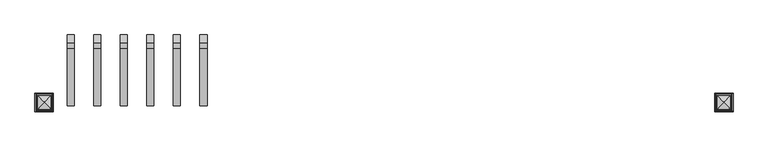
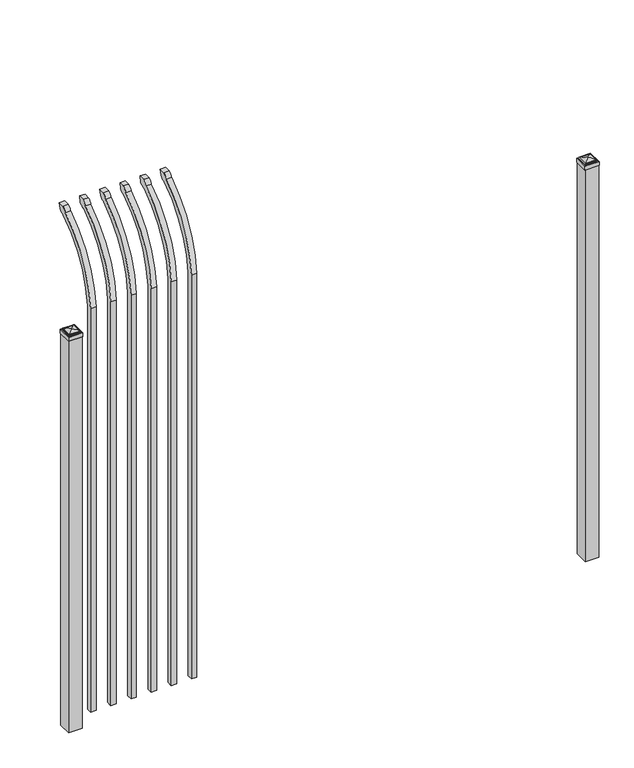
"""IFC4 building model written with IfcOpenShell, lengths in millimetres: railing geometry."""

from ifc_helpers import new_model, si_unit, point, frame, origin, origin_with_axes, place, context, project, spatial, polyline, circle_curve, ellipse_curve, trimmed, outline, extrude, source, transform, mapped, element, save
from ifc_brep_helpers import plane_surface, cylinder_surface, revolved_surface, extruded_surface, advanced_brep


def railing_022434f4(model_context):
    return source(origin(), model_context, "Body", "SolidModel", [
        advanced_brep(
        [(20603.9350064, 11905.619541, 50.8), (20603.9350064, 11905.619541, 2063.9226889), (20603.9350064, 12102.7326851, 2396.1022378), (20603.9350064, 12129.2407099, 2410.7867549), (20603.9350064, 12135.1100864, 2438.4), (20603.9350064, 12106.8799449, 2438.4), (20603.9350064, 12087.4931591, 2417.4682561), (20603.9350064, 11880.219541, 2063.9226889), (20603.9350064, 11880.219541, 50.8), (20578.5350064, 11905.619541, 50.8), (20578.5350064, 11905.619541, 2063.9226889), (20578.5350064, 11880.219541, 2063.9226889), (20578.5350064, 11880.219541, 50.8), (20578.5350064, 12087.4931591, 2417.4682561), (20578.5350064, 12106.8799449, 2438.4), (20578.5350064, 12135.1100864, 2438.4), (20578.5350064, 12129.2407099, 2410.7867549), (20578.5350064, 12102.7326851, 2396.1022378)],
        [
            (0, 1),
            (1, 2, circle_curve(frame((20603.9350064, 12342.9874207, 2028.9640776), z_axis=(-1.0, 0.0, 0.0), x_axis=(0.0, 1.0, 0.0)), 438.7627681)),
            (2, 3, ellipse_curve(frame((20603.9350064, 12110.5579376, 2418.5180619), z_axis=(1.0, 0.0, 0.0), x_axis=(0.0, -0.7771459614569752, -0.6293203910498321)), 26.7460194, 19.05)),
            (3, 4),
            (4, 5),
            (5, 6, ellipse_curve(frame((20603.9350064, 12110.5579376, 2418.5180619), z_axis=(1.0, 0.0, 0.0), x_axis=(0.0, -0.7771459614569761, -0.6293203910498311)), 26.7460194, 19.05)),
            (6, 7, circle_curve(frame((20603.9350064, 12342.0333244, 2030.7065933), z_axis=(1.0, 0.0, 0.0), x_axis=(0.0, 1.0, 0.0)), 463.0067812)),
            (7, 8),
            (8, 0),
            (0, 9),
            (9, 10),
            (10, 1),
            (7, 11),
            (11, 12),
            (12, 8),
            (12, 9),
            (11, 13, circle_curve(frame((20578.5350064, 12342.0333244, 2030.7065933), z_axis=(-1.0, 0.0, 0.0), x_axis=(0.0, 1.0, 0.0)), 463.0067812)),
            (13, 14, ellipse_curve(frame((20578.5350064, 12110.5579376, 2418.5180619), z_axis=(-1.0, 0.0, 0.0), x_axis=(0.0, -0.7771459614569761, -0.6293203910498311)), 26.7460194, 19.05)),
            (14, 15),
            (15, 16),
            (16, 17, ellipse_curve(frame((20578.5350064, 12110.5579376, 2418.5180619), z_axis=(-1.0, 0.0, 0.0), x_axis=(0.0, -0.7771459614569752, -0.6293203910498321)), 26.7460194, 19.05)),
            (17, 10, circle_curve(frame((20578.5350064, 12342.9874207, 2028.9640776), z_axis=(1.0, 0.0, 0.0), x_axis=(0.0, 1.0, 0.0)), 438.7627681)),
            (17, 2),
            (16, 3),
            (15, 4),
            (14, 5),
            (13, 6),
        ],
        [
            plane_surface(frame((20603.9350064, 11905.619541, 50.8), z_axis=(1.0, 0.0, 0.0), x_axis=(0.0, 0.0, 1.0))),
            plane_surface(frame((20603.9350064, 11905.619541, 50.8), z_axis=(0.0, 1.0, 0.0), x_axis=(-1.0, 0.0, 0.0))),
            plane_surface(frame((20603.9350064, 11880.219541, 2063.9226889), z_axis=(0.0, -1.0, 0.0), x_axis=(-1.0, 0.0, 0.0))),
            plane_surface(frame((20603.9350064, 11880.219541, 50.8), z_axis=(0.0, 0.0, -1.0), x_axis=(-1.0, 0.0, 0.0))),
            plane_surface(frame((20578.5350064, 11905.619541, 50.8), z_axis=(-1.0, 0.0, 0.0), x_axis=(0.0, 0.0, -1.0))),
            revolved_surface(polyline([(20578.5350064, 12781.750188799999, 2028.9640776), (20603.9350064, 12781.750188799999, 2028.9640776)]), (20578.5350064, 12342.9874207, 2028.9640776), (-1.0, 0.0, 0.0)),
            extruded_surface(trimmed(ellipse_curve(frame((20553.1350064, 12110.5579376, 2418.5180619), z_axis=(1.0, 0.0, 0.0), x_axis=(0.0, -0.7771459614569752, -0.6293203910498321)), 26.7460194, 19.05), [point((20553.1350064, 12102.7326851, 2396.1022378))], [point((20553.1350064, 12129.2407099, 2410.7867549))], True, "CARTESIAN"), (25.400000000001455, 0.0, 0.0), 25.400000000001455),
            plane_surface(frame((20603.9350064, 12129.2407099, 2410.7867549), z_axis=(0.0, 0.9781476007338008, -0.20791169081778224), x_axis=(-1.0, 0.0, 0.0))),
            plane_surface(frame((20603.9350064, 12135.1100864, 2438.4), z_axis=(0.0, 0.0, 1.0), x_axis=(-1.0, 0.0, 0.0))),
            extruded_surface(trimmed(ellipse_curve(frame((20553.1350064, 12110.5579376, 2418.5180619), z_axis=(1.0, 0.0, 0.0), x_axis=(0.0, -0.7771459614569761, -0.6293203910498311)), 26.7460194, 19.05), [point((20553.1350064, 12106.8799449, 2438.4))], [point((20553.1350064, 12087.4931591, 2417.4682561))], True, "CARTESIAN"), (25.400000000001455, 0.0, 0.0), 25.400000000001455),
            cylinder_surface(frame((20578.5350064, 12342.0333244, 2030.7065933), z_axis=(1.0, 0.0, 0.0), x_axis=(0.0, 1.0, 0.0)), 463.0067812),
        ],
        [
            (0, [[1, 2, 3, 4, 5, 6, 7, 8, 9]]),
            (1, [[-1, 10, 11, 12]]),
            (2, [[-8, 13, 14, 15]]),
            (3, [[-9, -15, 16, -10]]),
            (4, [[-16, -14, 17, 18, 19, 20, 21, 22, -11]]),
            (5, [[-2, -12, -22, 23]]),
            (6, [[-3, -23, -21, 24]]),
            (7, [[-4, -24, -20, 25]]),
            (8, [[-5, -25, -19, 26]]),
            (9, [[-6, -26, -18, 27]]),
            (10, [[-7, -27, -17, -13]]),
        ],
    ),
        advanced_brep(
        [(20508.6850064, 11905.619541, 50.8), (20508.6850064, 11905.619541, 2063.9226889), (20508.6850064, 12102.7326851, 2396.1022378), (20508.6850064, 12129.2407099, 2410.7867549), (20508.6850064, 12135.1100864, 2438.4), (20508.6850064, 12106.8799449, 2438.4), (20508.6850064, 12087.4931591, 2417.4682561), (20508.6850064, 11880.219541, 2063.9226889), (20508.6850064, 11880.219541, 50.8), (20483.2850064, 11905.619541, 50.8), (20483.2850064, 11905.619541, 2063.9226889), (20483.2850064, 11880.219541, 2063.9226889), (20483.2850064, 11880.219541, 50.8), (20483.2850064, 12087.4931591, 2417.4682561), (20483.2850064, 12106.8799449, 2438.4), (20483.2850064, 12135.1100864, 2438.4), (20483.2850064, 12129.2407099, 2410.7867549), (20483.2850064, 12102.7326851, 2396.1022378)],
        [
            (0, 1),
            (1, 2, circle_curve(frame((20508.6850064, 12342.9874207, 2028.9640776), z_axis=(-1.0, 0.0, 0.0), x_axis=(0.0, 1.0, 0.0)), 438.7627681)),
            (2, 3, ellipse_curve(frame((20508.6850064, 12110.5579376, 2418.5180619), z_axis=(1.0, 0.0, 0.0), x_axis=(0.0, -0.7771459614569752, -0.6293203910498321)), 26.7460194, 19.05)),
            (3, 4),
            (4, 5),
            (5, 6, ellipse_curve(frame((20508.6850064, 12110.5579376, 2418.5180619), z_axis=(1.0, 0.0, 0.0), x_axis=(0.0, -0.7771459614569761, -0.6293203910498311)), 26.7460194, 19.05)),
            (6, 7, circle_curve(frame((20508.6850064, 12342.0333244, 2030.7065933), z_axis=(1.0, 0.0, 0.0), x_axis=(0.0, 1.0, 0.0)), 463.0067812)),
            (7, 8),
            (8, 0),
            (0, 9),
            (9, 10),
            (10, 1),
            (7, 11),
            (11, 12),
            (12, 8),
            (12, 9),
            (11, 13, circle_curve(frame((20483.2850064, 12342.0333244, 2030.7065933), z_axis=(-1.0, 0.0, 0.0), x_axis=(0.0, 1.0, 0.0)), 463.0067812)),
            (13, 14, ellipse_curve(frame((20483.2850064, 12110.5579376, 2418.5180619), z_axis=(-1.0, 0.0, 0.0), x_axis=(0.0, -0.7771459614569761, -0.6293203910498311)), 26.7460194, 19.05)),
            (14, 15),
            (15, 16),
            (16, 17, ellipse_curve(frame((20483.2850064, 12110.5579376, 2418.5180619), z_axis=(-1.0, 0.0, 0.0), x_axis=(0.0, -0.7771459614569752, -0.6293203910498321)), 26.7460194, 19.05)),
            (17, 10, circle_curve(frame((20483.2850064, 12342.9874207, 2028.9640776), z_axis=(1.0, 0.0, 0.0), x_axis=(0.0, 1.0, 0.0)), 438.7627681)),
            (17, 2),
            (16, 3),
            (15, 4),
            (14, 5),
            (13, 6),
        ],
        [
            plane_surface(frame((20508.6850064, 11905.619541, 50.8), z_axis=(1.0, 0.0, 0.0), x_axis=(0.0, 0.0, 1.0))),
            plane_surface(frame((20508.6850064, 11905.619541, 50.8), z_axis=(0.0, 1.0, 0.0), x_axis=(-1.0, 0.0, 0.0))),
            plane_surface(frame((20508.6850064, 11880.219541, 2063.9226889), z_axis=(0.0, -1.0, 0.0), x_axis=(-1.0, 0.0, 0.0))),
            plane_surface(frame((20508.6850064, 11880.219541, 50.8), z_axis=(0.0, 0.0, -1.0), x_axis=(-1.0, 0.0, 0.0))),
            plane_surface(frame((20483.2850064, 11905.619541, 50.8), z_axis=(-1.0, 0.0, 0.0), x_axis=(0.0, 0.0, -1.0))),
            revolved_surface(polyline([(20483.2850064, 12781.750188799999, 2028.9640776), (20508.6850064, 12781.750188799999, 2028.9640776)]), (20483.2850064, 12342.9874207, 2028.9640776), (-1.0, 0.0, 0.0)),
            extruded_surface(trimmed(ellipse_curve(frame((20457.8850064, 12110.5579376, 2418.5180619), z_axis=(1.0, 0.0, 0.0), x_axis=(0.0, -0.7771459614569752, -0.6293203910498321)), 26.7460194, 19.05), [point((20457.8850064, 12102.7326851, 2396.1022378))], [point((20457.8850064, 12129.2407099, 2410.7867549))], True, "CARTESIAN"), (25.400000000001455, 0.0, 0.0), 25.400000000001455),
            plane_surface(frame((20508.6850064, 12129.2407099, 2410.7867549), z_axis=(0.0, 0.9781476007338008, -0.20791169081778224), x_axis=(-1.0, 0.0, 0.0))),
            plane_surface(frame((20508.6850064, 12135.1100864, 2438.4), z_axis=(0.0, 0.0, 1.0), x_axis=(-1.0, 0.0, 0.0))),
            extruded_surface(trimmed(ellipse_curve(frame((20457.8850064, 12110.5579376, 2418.5180619), z_axis=(1.0, 0.0, 0.0), x_axis=(0.0, -0.7771459614569761, -0.6293203910498311)), 26.7460194, 19.05), [point((20457.8850064, 12106.8799449, 2438.4))], [point((20457.8850064, 12087.4931591, 2417.4682561))], True, "CARTESIAN"), (25.400000000001455, 0.0, 0.0), 25.400000000001455),
            cylinder_surface(frame((20483.2850064, 12342.0333244, 2030.7065933), z_axis=(1.0, 0.0, 0.0), x_axis=(0.0, 1.0, 0.0)), 463.0067812),
        ],
        [
            (0, [[1, 2, 3, 4, 5, 6, 7, 8, 9]]),
            (1, [[-1, 10, 11, 12]]),
            (2, [[-8, 13, 14, 15]]),
            (3, [[-9, -15, 16, -10]]),
            (4, [[-16, -14, 17, 18, 19, 20, 21, 22, -11]]),
            (5, [[-2, -12, -22, 23]]),
            (6, [[-3, -23, -21, 24]]),
            (7, [[-4, -24, -20, 25]]),
            (8, [[-5, -25, -19, 26]]),
            (9, [[-6, -26, -18, 27]]),
            (10, [[-7, -27, -17, -13]]),
        ],
    ),
        advanced_brep(
        [(20413.4350064, 11905.619541, 50.8), (20413.4350064, 11905.619541, 2063.9226889), (20413.4350064, 12102.7326851, 2396.1022378), (20413.4350064, 12129.2407099, 2410.7867549), (20413.4350064, 12135.1100864, 2438.4), (20413.4350064, 12106.8799449, 2438.4), (20413.4350064, 12087.4931591, 2417.4682561), (20413.4350064, 11880.219541, 2063.9226889), (20413.4350064, 11880.219541, 50.8), (20388.0350064, 11905.619541, 50.8), (20388.0350064, 11905.619541, 2063.9226889), (20388.0350064, 11880.219541, 2063.9226889), (20388.0350064, 11880.219541, 50.8), (20388.0350064, 12087.4931591, 2417.4682561), (20388.0350064, 12106.8799449, 2438.4), (20388.0350064, 12135.1100864, 2438.4), (20388.0350064, 12129.2407099, 2410.7867549), (20388.0350064, 12102.7326851, 2396.1022378)],
        [
            (0, 1),
            (1, 2, circle_curve(frame((20413.4350064, 12342.9874207, 2028.9640776), z_axis=(-1.0, 0.0, 0.0), x_axis=(0.0, 1.0, 0.0)), 438.7627681)),
            (2, 3, ellipse_curve(frame((20413.4350064, 12110.5579376, 2418.5180619), z_axis=(1.0, 0.0, 0.0), x_axis=(0.0, -0.7771459614569752, -0.6293203910498321)), 26.7460194, 19.05)),
            (3, 4),
            (4, 5),
            (5, 6, ellipse_curve(frame((20413.4350064, 12110.5579376, 2418.5180619), z_axis=(1.0, 0.0, 0.0), x_axis=(0.0, -0.7771459614569761, -0.6293203910498311)), 26.7460194, 19.05)),
            (6, 7, circle_curve(frame((20413.4350064, 12342.0333244, 2030.7065933), z_axis=(1.0, 0.0, 0.0), x_axis=(0.0, 1.0, 0.0)), 463.0067812)),
            (7, 8),
            (8, 0),
            (0, 9),
            (9, 10),
            (10, 1),
            (7, 11),
            (11, 12),
            (12, 8),
            (12, 9),
            (11, 13, circle_curve(frame((20388.0350064, 12342.0333244, 2030.7065933), z_axis=(-1.0, 0.0, 0.0), x_axis=(0.0, 1.0, 0.0)), 463.0067812)),
            (13, 14, ellipse_curve(frame((20388.0350064, 12110.5579376, 2418.5180619), z_axis=(-1.0, 0.0, 0.0), x_axis=(0.0, -0.7771459614569761, -0.6293203910498311)), 26.7460194, 19.05)),
            (14, 15),
            (15, 16),
            (16, 17, ellipse_curve(frame((20388.0350064, 12110.5579376, 2418.5180619), z_axis=(-1.0, 0.0, 0.0), x_axis=(0.0, -0.7771459614569752, -0.6293203910498321)), 26.7460194, 19.05)),
            (17, 10, circle_curve(frame((20388.0350064, 12342.9874207, 2028.9640776), z_axis=(1.0, 0.0, 0.0), x_axis=(0.0, 1.0, 0.0)), 438.7627681)),
            (17, 2),
            (16, 3),
            (15, 4),
            (14, 5),
            (13, 6),
        ],
        [
            plane_surface(frame((20413.4350064, 11905.619541, 50.8), z_axis=(1.0, 0.0, 0.0), x_axis=(0.0, 0.0, 1.0))),
            plane_surface(frame((20413.4350064, 11905.619541, 50.8), z_axis=(0.0, 1.0, 0.0), x_axis=(-1.0, 0.0, 0.0))),
            plane_surface(frame((20413.4350064, 11880.219541, 2063.9226889), z_axis=(0.0, -1.0, 0.0), x_axis=(-1.0, 0.0, 0.0))),
            plane_surface(frame((20413.4350064, 11880.219541, 50.8), z_axis=(0.0, 0.0, -1.0), x_axis=(-1.0, 0.0, 0.0))),
            plane_surface(frame((20388.0350064, 11905.619541, 50.8), z_axis=(-1.0, 0.0, 0.0), x_axis=(0.0, 0.0, -1.0))),
            revolved_surface(polyline([(20388.0350064, 12781.750188799999, 2028.9640776), (20413.4350064, 12781.750188799999, 2028.9640776)]), (20388.0350064, 12342.9874207, 2028.9640776), (-1.0, 0.0, 0.0)),
            extruded_surface(trimmed(ellipse_curve(frame((20362.6350064, 12110.5579376, 2418.5180619), z_axis=(1.0, 0.0, 0.0), x_axis=(0.0, -0.7771459614569752, -0.6293203910498321)), 26.7460194, 19.05), [point((20362.6350064, 12102.7326851, 2396.1022378))], [point((20362.6350064, 12129.2407099, 2410.7867549))], True, "CARTESIAN"), (25.400000000001455, 0.0, 0.0), 25.400000000001455),
            plane_surface(frame((20413.4350064, 12129.2407099, 2410.7867549), z_axis=(0.0, 0.9781476007338008, -0.20791169081778224), x_axis=(-1.0, 0.0, 0.0))),
            plane_surface(frame((20413.4350064, 12135.1100864, 2438.4), z_axis=(0.0, 0.0, 1.0), x_axis=(-1.0, 0.0, 0.0))),
            extruded_surface(trimmed(ellipse_curve(frame((20362.6350064, 12110.5579376, 2418.5180619), z_axis=(1.0, 0.0, 0.0), x_axis=(0.0, -0.7771459614569761, -0.6293203910498311)), 26.7460194, 19.05), [point((20362.6350064, 12106.8799449, 2438.4))], [point((20362.6350064, 12087.4931591, 2417.4682561))], True, "CARTESIAN"), (25.400000000001455, 0.0, 0.0), 25.400000000001455),
            cylinder_surface(frame((20388.0350064, 12342.0333244, 2030.7065933), z_axis=(1.0, 0.0, 0.0), x_axis=(0.0, 1.0, 0.0)), 463.0067812),
        ],
        [
            (0, [[1, 2, 3, 4, 5, 6, 7, 8, 9]]),
            (1, [[-1, 10, 11, 12]]),
            (2, [[-8, 13, 14, 15]]),
            (3, [[-9, -15, 16, -10]]),
            (4, [[-16, -14, 17, 18, 19, 20, 21, 22, -11]]),
            (5, [[-2, -12, -22, 23]]),
            (6, [[-3, -23, -21, 24]]),
            (7, [[-4, -24, -20, 25]]),
            (8, [[-5, -25, -19, 26]]),
            (9, [[-6, -26, -18, 27]]),
            (10, [[-7, -27, -17, -13]]),
        ],
    ),
        advanced_brep(
        [(20318.1850064, 11905.619541, 50.8), (20318.1850064, 11905.619541, 2063.9226889), (20318.1850064, 12102.7326851, 2396.1022378), (20318.1850064, 12129.2407099, 2410.7867549), (20318.1850064, 12135.1100864, 2438.4), (20318.1850064, 12106.8799449, 2438.4), (20318.1850064, 12087.4931591, 2417.4682561), (20318.1850064, 11880.219541, 2063.9226889), (20318.1850064, 11880.219541, 50.8), (20292.7850064, 11905.619541, 50.8), (20292.7850064, 11905.619541, 2063.9226889), (20292.7850064, 11880.219541, 2063.9226889), (20292.7850064, 11880.219541, 50.8), (20292.7850064, 12087.4931591, 2417.4682561), (20292.7850064, 12106.8799449, 2438.4), (20292.7850064, 12135.1100864, 2438.4), (20292.7850064, 12129.2407099, 2410.7867549), (20292.7850064, 12102.7326851, 2396.1022378)],
        [
            (0, 1),
            (1, 2, circle_curve(frame((20318.1850064, 12342.9874207, 2028.9640776), z_axis=(-1.0, 0.0, 0.0), x_axis=(0.0, 1.0, 0.0)), 438.7627681)),
            (2, 3, ellipse_curve(frame((20318.1850064, 12110.5579376, 2418.5180619), z_axis=(1.0, 0.0, 0.0), x_axis=(0.0, -0.7771459614569752, -0.6293203910498321)), 26.7460194, 19.05)),
            (3, 4),
            (4, 5),
            (5, 6, ellipse_curve(frame((20318.1850064, 12110.5579376, 2418.5180619), z_axis=(1.0, 0.0, 0.0), x_axis=(0.0, -0.7771459614569761, -0.6293203910498311)), 26.7460194, 19.05)),
            (6, 7, circle_curve(frame((20318.1850064, 12342.0333244, 2030.7065933), z_axis=(1.0, 0.0, 0.0), x_axis=(0.0, 1.0, 0.0)), 463.0067812)),
            (7, 8),
            (8, 0),
            (0, 9),
            (9, 10),
            (10, 1),
            (7, 11),
            (11, 12),
            (12, 8),
            (12, 9),
            (11, 13, circle_curve(frame((20292.7850064, 12342.0333244, 2030.7065933), z_axis=(-1.0, 0.0, 0.0), x_axis=(0.0, 1.0, 0.0)), 463.0067812)),
            (13, 14, ellipse_curve(frame((20292.7850064, 12110.5579376, 2418.5180619), z_axis=(-1.0, 0.0, 0.0), x_axis=(0.0, -0.7771459614569761, -0.6293203910498311)), 26.7460194, 19.05)),
            (14, 15),
            (15, 16),
            (16, 17, ellipse_curve(frame((20292.7850064, 12110.5579376, 2418.5180619), z_axis=(-1.0, 0.0, 0.0), x_axis=(0.0, -0.7771459614569752, -0.6293203910498321)), 26.7460194, 19.05)),
            (17, 10, circle_curve(frame((20292.7850064, 12342.9874207, 2028.9640776), z_axis=(1.0, 0.0, 0.0), x_axis=(0.0, 1.0, 0.0)), 438.7627681)),
            (17, 2),
            (16, 3),
            (15, 4),
            (14, 5),
            (13, 6),
        ],
        [
            plane_surface(frame((20318.1850064, 11905.619541, 50.8), z_axis=(1.0, 0.0, 0.0), x_axis=(0.0, 0.0, 1.0))),
            plane_surface(frame((20318.1850064, 11905.619541, 50.8), z_axis=(0.0, 1.0, 0.0), x_axis=(-1.0, 0.0, 0.0))),
            plane_surface(frame((20318.1850064, 11880.219541, 2063.9226889), z_axis=(0.0, -1.0, 0.0), x_axis=(-1.0, 0.0, 0.0))),
            plane_surface(frame((20318.1850064, 11880.219541, 50.8), z_axis=(0.0, 0.0, -1.0), x_axis=(-1.0, 0.0, 0.0))),
            plane_surface(frame((20292.7850064, 11905.619541, 50.8), z_axis=(-1.0, 0.0, 0.0), x_axis=(0.0, 0.0, -1.0))),
            revolved_surface(polyline([(20292.7850064, 12781.750188799999, 2028.9640776), (20318.1850064, 12781.750188799999, 2028.9640776)]), (20292.7850064, 12342.9874207, 2028.9640776), (-1.0, 0.0, 0.0)),
            extruded_surface(trimmed(ellipse_curve(frame((20267.3850064, 12110.5579376, 2418.5180619), z_axis=(1.0, 0.0, 0.0), x_axis=(0.0, -0.7771459614569752, -0.6293203910498321)), 26.7460194, 19.05), [point((20267.3850064, 12102.7326851, 2396.1022378))], [point((20267.3850064, 12129.2407099, 2410.7867549))], True, "CARTESIAN"), (25.400000000001455, 0.0, 0.0), 25.400000000001455),
            plane_surface(frame((20318.1850064, 12129.2407099, 2410.7867549), z_axis=(0.0, 0.9781476007338008, -0.20791169081778224), x_axis=(-1.0, 0.0, 0.0))),
            plane_surface(frame((20318.1850064, 12135.1100864, 2438.4), z_axis=(0.0, 0.0, 1.0), x_axis=(-1.0, 0.0, 0.0))),
            extruded_surface(trimmed(ellipse_curve(frame((20267.3850064, 12110.5579376, 2418.5180619), z_axis=(1.0, 0.0, 0.0), x_axis=(0.0, -0.7771459614569761, -0.6293203910498311)), 26.7460194, 19.05), [point((20267.3850064, 12106.8799449, 2438.4))], [point((20267.3850064, 12087.4931591, 2417.4682561))], True, "CARTESIAN"), (25.400000000001455, 0.0, 0.0), 25.400000000001455),
            cylinder_surface(frame((20292.7850064, 12342.0333244, 2030.7065933), z_axis=(1.0, 0.0, 0.0), x_axis=(0.0, 1.0, 0.0)), 463.0067812),
        ],
        [
            (0, [[1, 2, 3, 4, 5, 6, 7, 8, 9]]),
            (1, [[-1, 10, 11, 12]]),
            (2, [[-8, 13, 14, 15]]),
            (3, [[-9, -15, 16, -10]]),
            (4, [[-16, -14, 17, 18, 19, 20, 21, 22, -11]]),
            (5, [[-2, -12, -22, 23]]),
            (6, [[-3, -23, -21, 24]]),
            (7, [[-4, -24, -20, 25]]),
            (8, [[-5, -25, -19, 26]]),
            (9, [[-6, -26, -18, 27]]),
            (10, [[-7, -27, -17, -13]]),
        ],
    ),
        advanced_brep(
        [(20222.9350064, 11905.619541, 50.8), (20222.9350064, 11905.619541, 2063.9226889), (20222.9350064, 12102.7326851, 2396.1022378), (20222.9350064, 12129.2407099, 2410.7867549), (20222.9350064, 12135.1100864, 2438.4), (20222.9350064, 12106.8799449, 2438.4), (20222.9350064, 12087.4931591, 2417.4682561), (20222.9350064, 11880.219541, 2063.9226889), (20222.9350064, 11880.219541, 50.8), (20197.5350064, 11905.619541, 50.8), (20197.5350064, 11905.619541, 2063.9226889), (20197.5350064, 11880.219541, 2063.9226889), (20197.5350064, 11880.219541, 50.8), (20197.5350064, 12087.4931591, 2417.4682561), (20197.5350064, 12106.8799449, 2438.4), (20197.5350064, 12135.1100864, 2438.4), (20197.5350064, 12129.2407099, 2410.7867549), (20197.5350064, 12102.7326851, 2396.1022378)],
        [
            (0, 1),
            (1, 2, circle_curve(frame((20222.9350064, 12342.9874207, 2028.9640776), z_axis=(-1.0, 0.0, 0.0), x_axis=(0.0, 1.0, 0.0)), 438.7627681)),
            (2, 3, ellipse_curve(frame((20222.9350064, 12110.5579376, 2418.5180619), z_axis=(1.0, 0.0, 0.0), x_axis=(0.0, -0.7771459614569752, -0.6293203910498321)), 26.7460194, 19.05)),
            (3, 4),
            (4, 5),
            (5, 6, ellipse_curve(frame((20222.9350064, 12110.5579376, 2418.5180619), z_axis=(1.0, 0.0, 0.0), x_axis=(0.0, -0.7771459614569761, -0.6293203910498311)), 26.7460194, 19.05)),
            (6, 7, circle_curve(frame((20222.9350064, 12342.0333244, 2030.7065933), z_axis=(1.0, 0.0, 0.0), x_axis=(0.0, 1.0, 0.0)), 463.0067812)),
            (7, 8),
            (8, 0),
            (0, 9),
            (9, 10),
            (10, 1),
            (7, 11),
            (11, 12),
            (12, 8),
            (12, 9),
            (11, 13, circle_curve(frame((20197.5350064, 12342.0333244, 2030.7065933), z_axis=(-1.0, 0.0, 0.0), x_axis=(0.0, 1.0, 0.0)), 463.0067812)),
            (13, 14, ellipse_curve(frame((20197.5350064, 12110.5579376, 2418.5180619), z_axis=(-1.0, 0.0, 0.0), x_axis=(0.0, -0.7771459614569761, -0.6293203910498311)), 26.7460194, 19.05)),
            (14, 15),
            (15, 16),
            (16, 17, ellipse_curve(frame((20197.5350064, 12110.5579376, 2418.5180619), z_axis=(-1.0, 0.0, 0.0), x_axis=(0.0, -0.7771459614569752, -0.6293203910498321)), 26.7460194, 19.05)),
            (17, 10, circle_curve(frame((20197.5350064, 12342.9874207, 2028.9640776), z_axis=(1.0, 0.0, 0.0), x_axis=(0.0, 1.0, 0.0)), 438.7627681)),
            (17, 2),
            (16, 3),
            (15, 4),
            (14, 5),
            (13, 6),
        ],
        [
            plane_surface(frame((20222.9350064, 11905.619541, 50.8), z_axis=(1.0, 0.0, 0.0), x_axis=(0.0, 0.0, 1.0))),
            plane_surface(frame((20222.9350064, 11905.619541, 50.8), z_axis=(0.0, 1.0, 0.0), x_axis=(-1.0, 0.0, 0.0))),
            plane_surface(frame((20222.9350064, 11880.219541, 2063.9226889), z_axis=(0.0, -1.0, 0.0), x_axis=(-1.0, 0.0, 0.0))),
            plane_surface(frame((20222.9350064, 11880.219541, 50.8), z_axis=(0.0, 0.0, -1.0), x_axis=(-1.0, 0.0, 0.0))),
            plane_surface(frame((20197.5350064, 11905.619541, 50.8), z_axis=(-1.0, 0.0, 0.0), x_axis=(0.0, 0.0, -1.0))),
            revolved_surface(polyline([(20197.5350064, 12781.750188799999, 2028.9640776), (20222.9350064, 12781.750188799999, 2028.9640776)]), (20197.5350064, 12342.9874207, 2028.9640776), (-1.0, 0.0, 0.0)),
            extruded_surface(trimmed(ellipse_curve(frame((20172.1350064, 12110.5579376, 2418.5180619), z_axis=(1.0, 0.0, 0.0), x_axis=(0.0, -0.7771459614569752, -0.6293203910498321)), 26.7460194, 19.05), [point((20172.1350064, 12102.7326851, 2396.1022378))], [point((20172.1350064, 12129.2407099, 2410.7867549))], True, "CARTESIAN"), (25.400000000001455, 0.0, 0.0), 25.400000000001455),
            plane_surface(frame((20222.9350064, 12129.2407099, 2410.7867549), z_axis=(0.0, 0.9781476007338008, -0.20791169081778224), x_axis=(-1.0, 0.0, 0.0))),
            plane_surface(frame((20222.9350064, 12135.1100864, 2438.4), z_axis=(0.0, 0.0, 1.0), x_axis=(-1.0, 0.0, 0.0))),
            extruded_surface(trimmed(ellipse_curve(frame((20172.1350064, 12110.5579376, 2418.5180619), z_axis=(1.0, 0.0, 0.0), x_axis=(0.0, -0.7771459614569761, -0.6293203910498311)), 26.7460194, 19.05), [point((20172.1350064, 12106.8799449, 2438.4))], [point((20172.1350064, 12087.4931591, 2417.4682561))], True, "CARTESIAN"), (25.400000000001455, 0.0, 0.0), 25.400000000001455),
            cylinder_surface(frame((20197.5350064, 12342.0333244, 2030.7065933), z_axis=(1.0, 0.0, 0.0), x_axis=(0.0, 1.0, 0.0)), 463.0067812),
        ],
        [
            (0, [[1, 2, 3, 4, 5, 6, 7, 8, 9]]),
            (1, [[-1, 10, 11, 12]]),
            (2, [[-8, 13, 14, 15]]),
            (3, [[-9, -15, 16, -10]]),
            (4, [[-16, -14, 17, 18, 19, 20, 21, 22, -11]]),
            (5, [[-2, -12, -22, 23]]),
            (6, [[-3, -23, -21, 24]]),
            (7, [[-4, -24, -20, 25]]),
            (8, [[-5, -25, -19, 26]]),
            (9, [[-6, -26, -18, 27]]),
            (10, [[-7, -27, -17, -13]]),
        ],
    ),
        advanced_brep(
        [(20127.6850064, 11905.619541, 50.8), (20127.6850064, 11905.619541, 2063.9226889), (20127.6850064, 12102.7326851, 2396.1022378), (20127.6850064, 12129.2407099, 2410.7867549), (20127.6850064, 12135.1100864, 2438.4), (20127.6850064, 12106.8799449, 2438.4), (20127.6850064, 12087.4931591, 2417.4682561), (20127.6850064, 11880.219541, 2063.9226889), (20127.6850064, 11880.219541, 50.8), (20102.2850064, 11905.619541, 50.8), (20102.2850064, 11905.619541, 2063.9226889), (20102.2850064, 11880.219541, 2063.9226889), (20102.2850064, 11880.219541, 50.8), (20102.2850064, 12087.4931591, 2417.4682561), (20102.2850064, 12106.8799449, 2438.4), (20102.2850064, 12135.1100864, 2438.4), (20102.2850064, 12129.2407099, 2410.7867549), (20102.2850064, 12102.7326851, 2396.1022378)],
        [
            (0, 1),
            (1, 2, circle_curve(frame((20127.6850064, 12342.9874207, 2028.9640776), z_axis=(-1.0, 0.0, 0.0), x_axis=(0.0, 1.0, 0.0)), 438.7627681)),
            (2, 3, ellipse_curve(frame((20127.6850064, 12110.5579376, 2418.5180619), z_axis=(1.0, 0.0, 0.0), x_axis=(0.0, -0.7771459614569752, -0.6293203910498321)), 26.7460194, 19.05)),
            (3, 4),
            (4, 5),
            (5, 6, ellipse_curve(frame((20127.6850064, 12110.5579376, 2418.5180619), z_axis=(1.0, 0.0, 0.0), x_axis=(0.0, -0.7771459614569761, -0.6293203910498311)), 26.7460194, 19.05)),
            (6, 7, circle_curve(frame((20127.6850064, 12342.0333244, 2030.7065933), z_axis=(1.0, 0.0, 0.0), x_axis=(0.0, 1.0, 0.0)), 463.0067812)),
            (7, 8),
            (8, 0),
            (0, 9),
            (9, 10),
            (10, 1),
            (7, 11),
            (11, 12),
            (12, 8),
            (12, 9),
            (11, 13, circle_curve(frame((20102.2850064, 12342.0333244, 2030.7065933), z_axis=(-1.0, 0.0, 0.0), x_axis=(0.0, 1.0, 0.0)), 463.0067812)),
            (13, 14, ellipse_curve(frame((20102.2850064, 12110.5579376, 2418.5180619), z_axis=(-1.0, 0.0, 0.0), x_axis=(0.0, -0.7771459614569761, -0.6293203910498311)), 26.7460194, 19.05)),
            (14, 15),
            (15, 16),
            (16, 17, ellipse_curve(frame((20102.2850064, 12110.5579376, 2418.5180619), z_axis=(-1.0, 0.0, 0.0), x_axis=(0.0, -0.7771459614569752, -0.6293203910498321)), 26.7460194, 19.05)),
            (17, 10, circle_curve(frame((20102.2850064, 12342.9874207, 2028.9640776), z_axis=(1.0, 0.0, 0.0), x_axis=(0.0, 1.0, 0.0)), 438.7627681)),
            (17, 2),
            (16, 3),
            (15, 4),
            (14, 5),
            (13, 6),
        ],
        [
            plane_surface(frame((20127.6850064, 11905.619541, 50.8), z_axis=(1.0, 0.0, 0.0), x_axis=(0.0, 0.0, 1.0))),
            plane_surface(frame((20127.6850064, 11905.619541, 50.8), z_axis=(0.0, 1.0, 0.0), x_axis=(-1.0, 0.0, 0.0))),
            plane_surface(frame((20127.6850064, 11880.219541, 2063.9226889), z_axis=(0.0, -1.0, 0.0), x_axis=(-1.0, 0.0, 0.0))),
            plane_surface(frame((20127.6850064, 11880.219541, 50.8), z_axis=(0.0, 0.0, -1.0), x_axis=(-1.0, 0.0, 0.0))),
            plane_surface(frame((20102.2850064, 11905.619541, 50.8), z_axis=(-1.0, 0.0, 0.0), x_axis=(0.0, 0.0, -1.0))),
            revolved_surface(polyline([(20102.2850064, 12781.750188799999, 2028.9640776), (20127.6850064, 12781.750188799999, 2028.9640776)]), (20102.2850064, 12342.9874207, 2028.9640776), (-1.0, 0.0, 0.0)),
            extruded_surface(trimmed(ellipse_curve(frame((20076.8850064, 12110.5579376, 2418.5180619), z_axis=(1.0, 0.0, 0.0), x_axis=(0.0, -0.7771459614569752, -0.6293203910498321)), 26.7460194, 19.05), [point((20076.8850064, 12102.7326851, 2396.1022378))], [point((20076.8850064, 12129.2407099, 2410.7867549))], True, "CARTESIAN"), (25.400000000001455, 0.0, 0.0), 25.400000000001455),
            plane_surface(frame((20127.6850064, 12129.2407099, 2410.7867549), z_axis=(0.0, 0.9781476007338008, -0.20791169081778224), x_axis=(-1.0, 0.0, 0.0))),
            plane_surface(frame((20127.6850064, 12135.1100864, 2438.4), z_axis=(0.0, 0.0, 1.0), x_axis=(-1.0, 0.0, 0.0))),
            extruded_surface(trimmed(ellipse_curve(frame((20076.8850064, 12110.5579376, 2418.5180619), z_axis=(1.0, 0.0, 0.0), x_axis=(0.0, -0.7771459614569761, -0.6293203910498311)), 26.7460194, 19.05), [point((20076.8850064, 12106.8799449, 2438.4))], [point((20076.8850064, 12087.4931591, 2417.4682561))], True, "CARTESIAN"), (25.400000000001455, 0.0, 0.0), 25.400000000001455),
            cylinder_surface(frame((20102.2850064, 12342.0333244, 2030.7065933), z_axis=(1.0, 0.0, 0.0), x_axis=(0.0, 1.0, 0.0)), 463.0067812),
        ],
        [
            (0, [[1, 2, 3, 4, 5, 6, 7, 8, 9]]),
            (1, [[-1, 10, 11, 12]]),
            (2, [[-8, 13, 14, 15]]),
            (3, [[-9, -15, 16, -10]]),
            (4, [[-16, -14, 17, 18, 19, 20, 21, 22, -11]]),
            (5, [[-2, -12, -22, 23]]),
            (6, [[-3, -23, -21, 24]]),
            (7, [[-4, -24, -20, 25]]),
            (8, [[-5, -25, -19, 26]]),
            (9, [[-6, -26, -18, 27]]),
            (10, [[-7, -27, -17, -13]]),
        ],
    ),
        extrude(outline(polyline([(22489.8850064, 11924.669541), (22489.8850064, 11861.169541), (22426.3850064, 11861.169541), (22426.3850064, 11924.669541), (22489.8850064, 11924.669541)])), origin_with_axes(), (0.0, 0.0, 1.0), 1954.2125),
        advanced_brep(
        [(22424.7975064, 11926.257041, 1972.46875), (22424.7975064, 11926.257041, 1954.2125), (22424.7975064, 11859.582041, 1954.2125), (22424.7975064, 11859.582041, 1972.46875), (22427.1787564, 11923.875791, 1974.85), (22427.1787564, 11861.963291, 1974.85), (22429.5600064, 11921.494541, 1977.23125), (22429.5600064, 11921.494541, 1974.85), (22429.5600064, 11864.344541, 1974.85), (22429.5600064, 11864.344541, 1977.23125), (22431.9412564, 11919.113291, 1979.6125), (22431.9412564, 11866.725791, 1979.6125), (22458.1350064, 11892.919541, 1985.9625), (22434.3225064, 11916.732041, 1979.6125), (22434.3225064, 11869.107041, 1979.6125), (22491.4725064, 11859.582041, 1954.2125), (22491.4725064, 11859.582041, 1972.46875), (22489.0912564, 11861.963291, 1974.85), (22486.7100064, 11864.344541, 1974.85), (22486.7100064, 11864.344541, 1977.23125), (22484.3287564, 11866.725791, 1979.6125), (22481.9475064, 11869.107041, 1979.6125), (22491.4725064, 11926.257041, 1954.2125), (22491.4725064, 11926.257041, 1972.46875), (22489.0912564, 11923.875791, 1974.85), (22486.7100064, 11921.494541, 1974.85), (22486.7100064, 11921.494541, 1977.23125), (22484.3287564, 11919.113291, 1979.6125), (22481.9475064, 11916.732041, 1979.6125)],
        [
            (0, 1),
            (1, 2),
            (2, 3),
            (3, 0),
            (4, 0, ellipse_curve(frame((22427.1787564, 11923.875791, 1972.46875), z_axis=(-0.70710678118655, -0.7071067811865449, 0.0), x_axis=(-0.7071067811865448, 0.7071067811865501, 0.0)), 3.367596, 2.38125)),
            (3, 5, ellipse_curve(frame((22427.1787564, 11861.963291, 1972.46875), z_axis=(-0.7071067811865449, 0.70710678118655, 0.0), x_axis=(0.7071067811865499, 0.707106781186545, 0.0)), 3.367596, 2.38125)),
            (5, 4),
            (6, 7),
            (7, 8),
            (8, 9),
            (9, 6),
            (10, 6, ellipse_curve(frame((22431.9412564, 11919.113291, 1977.23125), z_axis=(-0.70710678118655, -0.7071067811865449, 0.0), x_axis=(-0.7071067811865448, 0.7071067811865501, 0.0)), 3.367596, 2.38125)),
            (9, 11, ellipse_curve(frame((22431.9412564, 11866.725791, 1977.23125), z_axis=(-0.7071067811865449, 0.70710678118655, 0.0), x_axis=(0.7071067811865499, 0.707106781186545, 0.0)), 3.367596, 2.38125)),
            (11, 10),
            (12, 13, ellipse_curve(frame((22458.1350064, 11892.919541, 1938.1390625), z_axis=(-0.70710678118655, -0.7071067811865449, 0.0), x_axis=(-0.7071067811865448, 0.7071067811865501, 0.0)), 67.6325539, 47.8234375)),
            (13, 14),
            (14, 12, ellipse_curve(frame((22458.1350064, 11892.919541, 1938.1390625), z_axis=(-0.7071067811865449, 0.70710678118655, 0.0), x_axis=(0.7071067811865499, 0.707106781186545, 0.0)), 67.6325539, 47.8234375)),
            (2, 15),
            (15, 16),
            (16, 3),
            (16, 17, ellipse_curve(frame((22489.0912564, 11861.963291, 1972.46875), z_axis=(-0.70710678118655, -0.707106781186545, 0.0), x_axis=(-0.707106781186545, 0.70710678118655, 0.0)), 3.367596, 2.38125)),
            (17, 5),
            (8, 18),
            (18, 19),
            (19, 9),
            (19, 20, ellipse_curve(frame((22484.3287564, 11866.725791, 1977.23125), z_axis=(-0.70710678118655, -0.707106781186545, 0.0), x_axis=(-0.707106781186545, 0.70710678118655, 0.0)), 3.367596, 2.38125)),
            (20, 11),
            (14, 21),
            (21, 12, ellipse_curve(frame((22458.1350064, 11892.919541, 1938.1390625), z_axis=(-0.70710678118655, -0.707106781186545, 0.0), x_axis=(-0.707106781186545, 0.70710678118655, 0.0)), 67.6325539, 47.8234375)),
            (15, 22),
            (22, 23),
            (23, 16),
            (23, 24, ellipse_curve(frame((22489.0912564, 11923.875791, 1972.46875), z_axis=(0.707106781186545, -0.7071067811865499, 0.0), x_axis=(-0.7071067811865497, -0.7071067811865452, 0.0)), 3.367596, 2.38125)),
            (24, 17),
            (18, 25),
            (25, 26),
            (26, 19),
            (26, 27, ellipse_curve(frame((22484.3287564, 11919.113291, 1977.23125), z_axis=(0.707106781186545, -0.7071067811865499, 0.0), x_axis=(-0.7071067811865497, -0.7071067811865452, 0.0)), 3.367596, 2.38125)),
            (27, 20),
            (21, 28),
            (28, 12, ellipse_curve(frame((22458.1350064, 11892.919541, 1938.1390625), z_axis=(0.707106781186545, -0.7071067811865499, 0.0), x_axis=(-0.7071067811865497, -0.7071067811865452, 0.0)), 67.6325539, 47.8234375)),
            (22, 1),
            (0, 23),
            (4, 24),
            (7, 25),
            (6, 26),
            (10, 27),
            (13, 28),
        ],
        [
            plane_surface(frame((22424.7975064, 11926.257041, 1954.2125), z_axis=(-1.0, 0.0, 0.0), x_axis=(0.0, -1.0, 0.0))),
            cylinder_surface(frame((22427.1787564, 11924.669541, 1972.46875), z_axis=(0.0, 1.0, 0.0), x_axis=(1.0, 0.0, 0.0)), 2.38125),
            plane_surface(frame((22429.5600064, 11921.494541, 1974.85), z_axis=(-1.0, 0.0, 0.0), x_axis=(0.0, -1.0, 0.0))),
            cylinder_surface(frame((22431.9412564, 11924.669541, 1977.23125), z_axis=(0.0, 1.0, 0.0), x_axis=(1.0, 0.0, 0.0)), 2.38125),
            cylinder_surface(frame((22458.1350064, 11924.669541, 1938.1390625), z_axis=(0.0, 1.0, 0.0), x_axis=(1.0, 0.0, 0.0)), 47.8234375),
            plane_surface(frame((22424.7975064, 11859.582041, 1954.2125), z_axis=(0.0, -1.0, 0.0), x_axis=(1.0, 0.0, 0.0))),
            cylinder_surface(frame((22426.3850064, 11861.963291, 1972.46875), z_axis=(-1.0, 0.0, 0.0), x_axis=(0.0, 1.0, 0.0)), 2.38125),
            plane_surface(frame((22429.5600064, 11864.344541, 1974.85), z_axis=(0.0, -1.0, 0.0), x_axis=(1.0, 0.0, 0.0))),
            cylinder_surface(frame((22426.3850064, 11866.725791, 1977.23125), z_axis=(-1.0, 0.0, 0.0), x_axis=(0.0, 1.0, 0.0)), 2.38125),
            cylinder_surface(frame((22426.3850064, 11892.919541, 1938.1390625), z_axis=(-1.0, 0.0, 0.0), x_axis=(0.0, 1.0, 0.0)), 47.8234375),
            plane_surface(frame((22491.4725064, 11859.582041, 1954.2125), z_axis=(1.0, 0.0, 0.0), x_axis=(0.0, 1.0, 0.0))),
            cylinder_surface(frame((22489.0912564, 11861.169541, 1972.46875), z_axis=(0.0, -1.0, 0.0), x_axis=(-1.0, 0.0, 0.0)), 2.38125),
            plane_surface(frame((22486.7100064, 11864.344541, 1974.85), z_axis=(1.0, 0.0, 0.0), x_axis=(0.0, 1.0, 0.0))),
            cylinder_surface(frame((22484.3287564, 11861.169541, 1977.23125), z_axis=(0.0, -1.0, 0.0), x_axis=(-1.0, 0.0, 0.0)), 2.38125),
            cylinder_surface(frame((22458.1350064, 11861.169541, 1938.1390625), z_axis=(0.0, -1.0, 0.0), x_axis=(-1.0, 0.0, 0.0)), 47.8234375),
            plane_surface(frame((22491.4725064, 11926.257041, 1954.2125), z_axis=(0.0, 1.0, 0.0), x_axis=(-1.0, 0.0, 0.0))),
            cylinder_surface(frame((22489.8850064, 11923.875791, 1972.46875), z_axis=(1.0, 0.0, 0.0), x_axis=(0.0, -1.0, 0.0)), 2.38125),
            plane_surface(frame((22489.0912564, 11923.875791, 1974.85), z_axis=(0.0, 0.0, 1.0), x_axis=(-1.0, 0.0, 0.0))),
            plane_surface(frame((22486.7100064, 11921.494541, 1974.85), z_axis=(0.0, 1.0, 0.0), x_axis=(-1.0, 0.0, 0.0))),
            cylinder_surface(frame((22489.8850064, 11919.113291, 1977.23125), z_axis=(1.0, 0.0, 0.0), x_axis=(0.0, -1.0, 0.0)), 2.38125),
            plane_surface(frame((22484.3287564, 11919.113291, 1979.6125), z_axis=(0.0, 0.0, 1.0), x_axis=(-1.0, 0.0, 0.0))),
            cylinder_surface(frame((22489.8850064, 11892.919541, 1938.1390625), z_axis=(1.0, 0.0, 0.0), x_axis=(0.0, -1.0, 0.0)), 47.8234375),
            plane_surface(frame((22458.1350064, 11892.919541, 1954.2125), z_axis=(0.0, 0.0, -1.0), x_axis=(-1.0, 0.0, 0.0))),
        ],
        [
            (0, [[1, 2, 3, 4]]),
            (1, [[5, -4, 6, 7]]),
            (2, [[8, 9, 10, 11]]),
            (3, [[12, -11, 13, 14]]),
            (4, [[15, 16, 17]]),
            (5, [[-3, 18, 19, 20]]),
            (6, [[-6, -20, 21, 22]]),
            (7, [[-10, 23, 24, 25]]),
            (8, [[-13, -25, 26, 27]]),
            (9, [[-17, 28, 29]]),
            (10, [[-19, 30, 31, 32]]),
            (11, [[-21, -32, 33, 34]]),
            (12, [[-24, 35, 36, 37]]),
            (13, [[-26, -37, 38, 39]]),
            (14, [[-29, 40, 41]]),
            (15, [[-31, 42, -1, 43]]),
            (16, [[-33, -43, -5, 44]]),
            (17, [[-22, -34, -44, -7], [45, -35, -23, -9]]),
            (18, [[-36, -45, -8, 46]]),
            (19, [[-38, -46, -12, 47]]),
            (20, [[-27, -39, -47, -14], [48, -40, -28, -16]]),
            (21, [[-41, -48, -15]]),
            (22, [[-42, -30, -18, -2]]),
        ],
    ),
        extrude(outline(polyline([(20051.4850064, 11924.669541), (20051.4850064, 11861.169541), (19987.9850064, 11861.169541), (19987.9850064, 11924.669541), (20051.4850064, 11924.669541)])), origin_with_axes(), (0.0, 0.0, 1.0), 1954.2125),
        advanced_brep(
        [(19986.3975064, 11926.257041, 1972.46875), (19986.3975064, 11926.257041, 1954.2125), (19986.3975064, 11859.582041, 1954.2125), (19986.3975064, 11859.582041, 1972.46875), (19988.7787564, 11923.875791, 1974.85), (19988.7787564, 11861.963291, 1974.85), (19991.1600064, 11921.494541, 1977.23125), (19991.1600064, 11921.494541, 1974.85), (19991.1600064, 11864.344541, 1974.85), (19991.1600064, 11864.344541, 1977.23125), (19993.5412564, 11919.113291, 1979.6125), (19993.5412564, 11866.725791, 1979.6125), (20019.7350064, 11892.919541, 1985.9625), (19995.9225064, 11916.732041, 1979.6125), (19995.9225064, 11869.107041, 1979.6125), (20053.0725064, 11859.582041, 1954.2125), (20053.0725064, 11859.582041, 1972.46875), (20050.6912564, 11861.963291, 1974.85), (20048.3100064, 11864.344541, 1974.85), (20048.3100064, 11864.344541, 1977.23125), (20045.9287564, 11866.725791, 1979.6125), (20043.5475064, 11869.107041, 1979.6125), (20053.0725064, 11926.257041, 1954.2125), (20053.0725064, 11926.257041, 1972.46875), (20050.6912564, 11923.875791, 1974.85), (20048.3100064, 11921.494541, 1974.85), (20048.3100064, 11921.494541, 1977.23125), (20045.9287564, 11919.113291, 1979.6125), (20043.5475064, 11916.732041, 1979.6125)],
        [
            (0, 1),
            (1, 2),
            (2, 3),
            (3, 0),
            (4, 0, ellipse_curve(frame((19988.7787564, 11923.875791, 1972.46875), z_axis=(-0.70710678118655, -0.7071067811865449, 0.0), x_axis=(-0.7071067811865448, 0.7071067811865501, 0.0)), 3.367596, 2.38125)),
            (3, 5, ellipse_curve(frame((19988.7787564, 11861.963291, 1972.46875), z_axis=(-0.7071067811865449, 0.70710678118655, 0.0), x_axis=(0.7071067811865499, 0.707106781186545, 0.0)), 3.367596, 2.38125)),
            (5, 4),
            (6, 7),
            (7, 8),
            (8, 9),
            (9, 6),
            (10, 6, ellipse_curve(frame((19993.5412564, 11919.113291, 1977.23125), z_axis=(-0.70710678118655, -0.7071067811865449, 0.0), x_axis=(-0.7071067811865448, 0.7071067811865501, 0.0)), 3.367596, 2.38125)),
            (9, 11, ellipse_curve(frame((19993.5412564, 11866.725791, 1977.23125), z_axis=(-0.7071067811865449, 0.70710678118655, 0.0), x_axis=(0.7071067811865499, 0.707106781186545, 0.0)), 3.367596, 2.38125)),
            (11, 10),
            (12, 13, ellipse_curve(frame((20019.7350064, 11892.919541, 1938.1390625), z_axis=(-0.70710678118655, -0.7071067811865449, 0.0), x_axis=(-0.7071067811865448, 0.7071067811865501, 0.0)), 67.6325539, 47.8234375)),
            (13, 14),
            (14, 12, ellipse_curve(frame((20019.7350064, 11892.919541, 1938.1390625), z_axis=(-0.7071067811865449, 0.70710678118655, 0.0), x_axis=(0.7071067811865499, 0.707106781186545, 0.0)), 67.6325539, 47.8234375)),
            (2, 15),
            (15, 16),
            (16, 3),
            (16, 17, ellipse_curve(frame((20050.6912564, 11861.963291, 1972.46875), z_axis=(-0.70710678118655, -0.707106781186545, 0.0), x_axis=(-0.707106781186545, 0.70710678118655, 0.0)), 3.367596, 2.38125)),
            (17, 5),
            (8, 18),
            (18, 19),
            (19, 9),
            (19, 20, ellipse_curve(frame((20045.9287564, 11866.725791, 1977.23125), z_axis=(-0.70710678118655, -0.707106781186545, 0.0), x_axis=(-0.707106781186545, 0.70710678118655, 0.0)), 3.367596, 2.38125)),
            (20, 11),
            (14, 21),
            (21, 12, ellipse_curve(frame((20019.7350064, 11892.919541, 1938.1390625), z_axis=(-0.70710678118655, -0.707106781186545, 0.0), x_axis=(-0.707106781186545, 0.70710678118655, 0.0)), 67.6325539, 47.8234375)),
            (15, 22),
            (22, 23),
            (23, 16),
            (23, 24, ellipse_curve(frame((20050.6912564, 11923.875791, 1972.46875), z_axis=(0.707106781186545, -0.7071067811865499, 0.0), x_axis=(-0.7071067811865497, -0.7071067811865452, 0.0)), 3.367596, 2.38125)),
            (24, 17),
            (18, 25),
            (25, 26),
            (26, 19),
            (26, 27, ellipse_curve(frame((20045.9287564, 11919.113291, 1977.23125), z_axis=(0.707106781186545, -0.7071067811865499, 0.0), x_axis=(-0.7071067811865497, -0.7071067811865452, 0.0)), 3.367596, 2.38125)),
            (27, 20),
            (21, 28),
            (28, 12, ellipse_curve(frame((20019.7350064, 11892.919541, 1938.1390625), z_axis=(0.707106781186545, -0.7071067811865499, 0.0), x_axis=(-0.7071067811865497, -0.7071067811865452, 0.0)), 67.6325539, 47.8234375)),
            (22, 1),
            (0, 23),
            (4, 24),
            (7, 25),
            (6, 26),
            (10, 27),
            (13, 28),
        ],
        [
            plane_surface(frame((19986.3975064, 11926.257041, 1954.2125), z_axis=(-1.0, 0.0, 0.0), x_axis=(0.0, -1.0, 0.0))),
            cylinder_surface(frame((19988.7787564, 11924.669541, 1972.46875), z_axis=(0.0, 1.0, 0.0), x_axis=(1.0, 0.0, 0.0)), 2.38125),
            plane_surface(frame((19991.1600064, 11921.494541, 1974.85), z_axis=(-1.0, 0.0, 0.0), x_axis=(0.0, -1.0, 0.0))),
            cylinder_surface(frame((19993.5412564, 11924.669541, 1977.23125), z_axis=(0.0, 1.0, 0.0), x_axis=(1.0, 0.0, 0.0)), 2.38125),
            cylinder_surface(frame((20019.7350064, 11924.669541, 1938.1390625), z_axis=(0.0, 1.0, 0.0), x_axis=(1.0, 0.0, 0.0)), 47.8234375),
            plane_surface(frame((19986.3975064, 11859.582041, 1954.2125), z_axis=(0.0, -1.0, 0.0), x_axis=(1.0, 0.0, 0.0))),
            cylinder_surface(frame((19987.9850064, 11861.963291, 1972.46875), z_axis=(-1.0, 0.0, 0.0), x_axis=(0.0, 1.0, 0.0)), 2.38125),
            plane_surface(frame((19991.1600064, 11864.344541, 1974.85), z_axis=(0.0, -1.0, 0.0), x_axis=(1.0, 0.0, 0.0))),
            cylinder_surface(frame((19987.9850064, 11866.725791, 1977.23125), z_axis=(-1.0, 0.0, 0.0), x_axis=(0.0, 1.0, 0.0)), 2.38125),
            cylinder_surface(frame((19987.9850064, 11892.919541, 1938.1390625), z_axis=(-1.0, 0.0, 0.0), x_axis=(0.0, 1.0, 0.0)), 47.8234375),
            plane_surface(frame((20053.0725064, 11859.582041, 1954.2125), z_axis=(1.0, 0.0, 0.0), x_axis=(0.0, 1.0, 0.0))),
            cylinder_surface(frame((20050.6912564, 11861.169541, 1972.46875), z_axis=(0.0, -1.0, 0.0), x_axis=(-1.0, 0.0, 0.0)), 2.38125),
            plane_surface(frame((20048.3100064, 11864.344541, 1974.85), z_axis=(1.0, 0.0, 0.0), x_axis=(0.0, 1.0, 0.0))),
            cylinder_surface(frame((20045.9287564, 11861.169541, 1977.23125), z_axis=(0.0, -1.0, 0.0), x_axis=(-1.0, 0.0, 0.0)), 2.38125),
            cylinder_surface(frame((20019.7350064, 11861.169541, 1938.1390625), z_axis=(0.0, -1.0, 0.0), x_axis=(-1.0, 0.0, 0.0)), 47.8234375),
            plane_surface(frame((20053.0725064, 11926.257041, 1954.2125), z_axis=(0.0, 1.0, 0.0), x_axis=(-1.0, 0.0, 0.0))),
            cylinder_surface(frame((20051.4850064, 11923.875791, 1972.46875), z_axis=(1.0, 0.0, 0.0), x_axis=(0.0, -1.0, 0.0)), 2.38125),
            plane_surface(frame((20050.6912564, 11923.875791, 1974.85), z_axis=(0.0, 0.0, 1.0), x_axis=(-1.0, 0.0, 0.0))),
            plane_surface(frame((20048.3100064, 11921.494541, 1974.85), z_axis=(0.0, 1.0, 0.0), x_axis=(-1.0, 0.0, 0.0))),
            cylinder_surface(frame((20051.4850064, 11919.113291, 1977.23125), z_axis=(1.0, 0.0, 0.0), x_axis=(0.0, -1.0, 0.0)), 2.38125),
            plane_surface(frame((20045.9287564, 11919.113291, 1979.6125), z_axis=(0.0, 0.0, 1.0), x_axis=(-1.0, 0.0, 0.0))),
            cylinder_surface(frame((20051.4850064, 11892.919541, 1938.1390625), z_axis=(1.0, 0.0, 0.0), x_axis=(0.0, -1.0, 0.0)), 47.8234375),
            plane_surface(frame((20019.7350064, 11892.919541, 1954.2125), z_axis=(0.0, 0.0, -1.0), x_axis=(-1.0, 0.0, 0.0))),
        ],
        [
            (0, [[1, 2, 3, 4]]),
            (1, [[5, -4, 6, 7]]),
            (2, [[8, 9, 10, 11]]),
            (3, [[12, -11, 13, 14]]),
            (4, [[15, 16, 17]]),
            (5, [[-3, 18, 19, 20]]),
            (6, [[-6, -20, 21, 22]]),
            (7, [[-10, 23, 24, 25]]),
            (8, [[-13, -25, 26, 27]]),
            (9, [[-17, 28, 29]]),
            (10, [[-19, 30, 31, 32]]),
            (11, [[-21, -32, 33, 34]]),
            (12, [[-24, 35, 36, 37]]),
            (13, [[-26, -37, 38, 39]]),
            (14, [[-29, 40, 41]]),
            (15, [[-31, 42, -1, 43]]),
            (16, [[-33, -43, -5, 44]]),
            (17, [[-22, -34, -44, -7], [45, -35, -23, -9]]),
            (18, [[-36, -45, -8, 46]]),
            (19, [[-38, -46, -12, 47]]),
            (20, [[-27, -39, -47, -14], [48, -40, -28, -16]]),
            (21, [[-41, -48, -15]]),
            (22, [[-42, -30, -18, -2]]),
        ],
    ),
    ])


if __name__ == "__main__":
    model = new_model("IFC4")
    model_context = context("Model", 3, world=origin())
    ifc_project = project(units=[si_unit("LENGTHUNIT", "METRE", prefix="MILLI")], contexts=[model_context])
    site = spatial("IfcSite", under=ifc_project)
    building = spatial("IfcBuilding", under=site)
    placement = place(None, origin())
    railing_shape = railing_022434f4(model_context)
    element("IfcRailing", 1, at=placement, inside=building, context=model_context, shape_type="MappedRepresentation", body=[
        mapped(railing_shape, transform((0.0, 0.0, 0.0), x_axis=(1.0, 0.0, 0.0), y_axis=(0.0, 1.0, 0.0), z_axis=(0.0, 0.0, 1.0))),
    ])
    save(model, "model.ifc")
